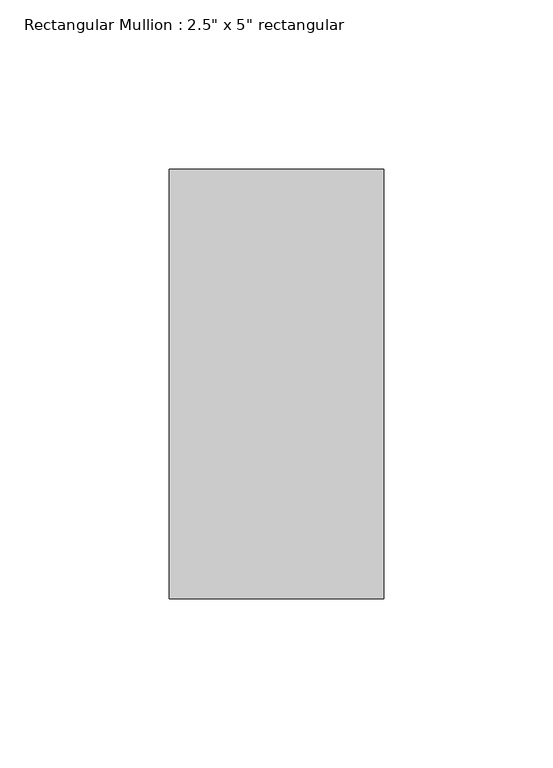
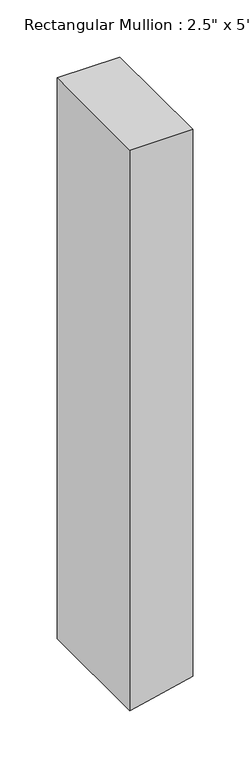
"""IFC4 building model written with IfcOpenShell, lengths in millimetres: member geometry."""

from ifc_helpers import new_model, si_unit, frame, origin, place, context, project, spatial, polyline, outline, extrude, source, transform, mapped, element, save


def member_cd716d64(model_context):
    return source(origin(), model_context, "Body", "SweptSolid", [
        extrude(outline(polyline([(0.0, 31.75), (0.0, -31.75), (-599.2345713, -31.75), (-595.2074643, -14.208296), (-584.6566664, 31.75), (0.0, 31.75)])), frame((0.0, -63.5, 0.0), z_axis=(0.0, 1.0, 0.0), x_axis=(0.0, 0.0, 1.0)), (0.0, 0.0, 1.0), 127.0),
    ])


if __name__ == "__main__":
    model = new_model("IFC4")
    model_context = context("Model", 3, world=origin())
    ifc_project = project(units=[si_unit("LENGTHUNIT", "METRE", prefix="MILLI")], contexts=[model_context])
    site = spatial("IfcSite", under=ifc_project)
    building = spatial("IfcBuilding", under=site)
    placement = place(None, origin())
    member_shape = member_cd716d64(model_context)
    element("IfcMember", 1, ObjectType="Rectangular Mullion : 2.5\" x 5\" rectangular", at=placement, inside=building, context=model_context, shape_type="MappedRepresentation", body=[
        mapped(member_shape, transform((0.0, 0.0, 0.0), x_axis=(1.0, 0.0, 0.0), y_axis=(0.0, 1.0, 0.0), z_axis=(0.0, 0.0, 1.0))),
    ])
    save(model, "model.ifc")
